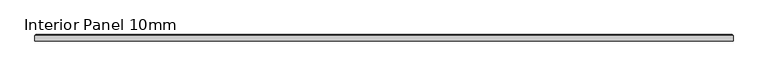
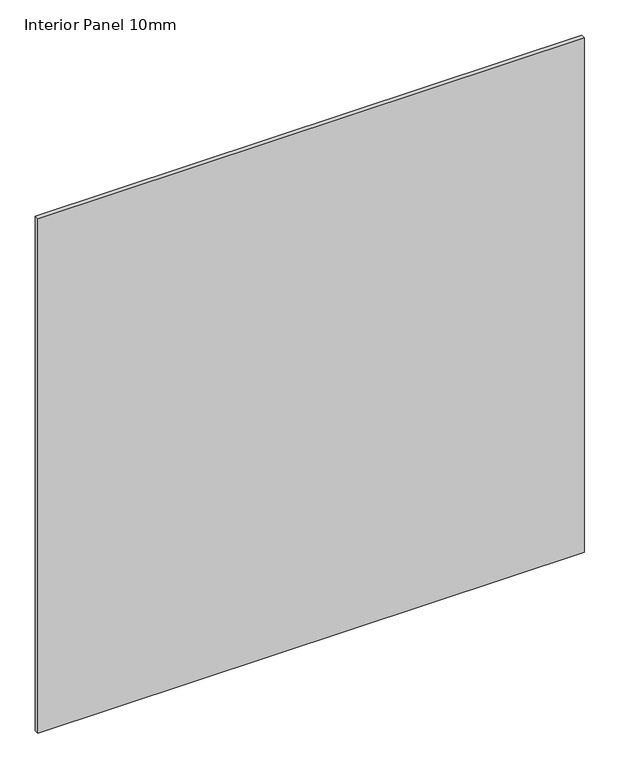
"""IFC4 building model written with IfcOpenShell, lengths in millimetres: proxy geometry, Interior Panel 10mm."""

import ifcopenshell
import ifcopenshell.guid

model = None  # the IFC model being written
_history = None  # IfcOwnerHistory: only IFC2X3 demands one
_inside = {}  # id of a spatial element -> (the spatial element, [elements in it])
_under = {}  # id of a project, library or spatial element -> (it, [spatial elements below it])
_declared = {}  # id of a project -> (the project, [libraries it declares])
_typed = {}  # id of a type object -> (the type object, [elements of that type])
_made_of = {}  # id of a material, layer set ... -> (it, [elements and type objects made of it])


def new_model(schema):
    """Start an empty IFC model of exactly this schema.

    Asked for "IFC4X3", IfcOpenShell would pick the latest addendum, in which some entities
    have other attributes; the version numbers below select the first issue.
    IFC2X3 requires an IfcOwnerHistory on every rooted entity: one is made here for all.
    """
    global model, _history
    if schema == "IFC4X3":
        model = ifcopenshell.file(schema_version=(4, 3, 0, 0))
    else:
        model = ifcopenshell.file(schema=schema)
    _inside.clear()
    _under.clear()
    _declared.clear()
    _typed.clear()
    _made_of.clear()
    _history = None
    if model.schema == "IFC2X3":
        org = make("IfcOrganization", Name="unknown")
        user = make(
            "IfcPersonAndOrganization",
            ThePerson=make("IfcPerson", FamilyName="unknown"),
            TheOrganization=org,
        )
        app = make(
            "IfcApplication",
            ApplicationDeveloper=org,
            Version="unknown",
            ApplicationFullName="unknown",
            ApplicationIdentifier="unknown",
        )
        _history = make(
            "IfcOwnerHistory",
            OwningUser=user,
            OwningApplication=app,
            ChangeAction="ADDED",
            CreationDate=0,
        )
    return model


def make(cls, **values):
    """One entity of the class cls with the attributes given. An attribute that is None is left unset."""
    return model.create_entity(
        cls, **{name: value for name, value in values.items() if value is not None}
    )


def rooted(cls, **values):
    """An entity with a GlobalId (a new one), such as an element, a storey or a relation."""
    return make(cls, GlobalId=ifcopenshell.guid.new(), OwnerHistory=_history, **values)


def si_unit(unit_type, name, prefix=None):
    """IfcSIUnit, for example si_unit("LENGTHUNIT", "METRE", prefix="MILLI")."""
    return make("IfcSIUnit", UnitType=unit_type, Prefix=prefix, Name=name)


def assignment(units):
    """IfcUnitAssignment: the units of a project."""
    return None if units is None else make("IfcUnitAssignment", Units=units)


def point(xyz):
    """IfcCartesianPoint."""
    return None if xyz is None else make("IfcCartesianPoint", Coordinates=xyz)


def direction(xyz):
    """IfcDirection."""
    return None if xyz is None else make("IfcDirection", DirectionRatios=xyz)


def frame(location, z_axis=None, x_axis=None):
    """IfcAxis2Placement3D, a coordinate frame: its origin and axes. An axis left out is left unset."""
    return make(
        "IfcAxis2Placement3D",
        Location=point(location),
        Axis=direction(z_axis),
        RefDirection=direction(x_axis),
    )


def origin():
    """The frame at (0, 0, 0) with its axes left unset."""
    return frame((0.0, 0.0, 0.0))


def place(relative_to, where):
    """IfcLocalPlacement: puts the frame where relative to a parent placement (None: the world)."""
    return make(
        "IfcLocalPlacement", PlacementRelTo=relative_to, RelativePlacement=where
    )


def context(
    kind, dimensions, precision=None, world=None, true_north=None, identifier=None
):
    """IfcGeometricRepresentationContext, for example the 3D "Model" context."""
    return make(
        "IfcGeometricRepresentationContext",
        ContextIdentifier=identifier,
        ContextType=kind,
        CoordinateSpaceDimension=dimensions,
        Precision=precision,
        WorldCoordinateSystem=world,
        TrueNorth=true_north,
    )


def project(units=None, contexts=None):
    """IfcProject with its units and contexts."""
    return rooted(
        "IfcProject",
        Name="project",
        RepresentationContexts=contexts,
        UnitsInContext=assignment(units),
    )


def spatial(cls, under=None, at=None, **own):
    """A site, building, storey or space (cls), placed at a placement, below another one or the project."""
    s = rooted(cls, ObjectPlacement=at, **own)
    if under is not None:
        _under.setdefault(under.id(), (under, []))[1].append(s)
    return s


def faces_of(points, faces, orient=None, outer=None):
    """IfcFace entities. A face is a list of loops; a loop is a list of indices into points, from 0.

    orient and outer hold one flag for each loop. By default every Orientation is true, the
    first loop of a face is its IfcFaceOuterBound and the others are IfcFaceBound.
    """
    made = []
    for i, loops in enumerate(faces):
        bounds = []
        for j, loop in enumerate(loops):
            is_outer = j == 0 if outer is None else outer[i][j]
            bounds.append(
                make(
                    "IfcFaceOuterBound" if is_outer else "IfcFaceBound",
                    Bound=make("IfcPolyLoop", Polygon=[points[k] for k in loop]),
                    Orientation=True if orient is None else orient[i][j],
                )
            )
        made.append(make("IfcFace", Bounds=bounds))
    return made


def faceted_brep(points, faces, orient=None, outer=None, voids=None):
    """IfcFacetedBrep: a solid bounded by flat faces; with voids (closed shells), ...WithVoids."""
    shared = [point(p) for p in points]
    hull = make("IfcClosedShell", CfsFaces=faces_of(shared, faces, orient, outer))
    if voids is None:
        return make("IfcFacetedBrep", Outer=hull)
    return make(
        "IfcFacetedBrepWithVoids",
        Outer=hull,
        Voids=[
            make(cls, CfsFaces=faces_of(shared, fs, o, b)) for cls, fs, o, b in voids
        ],
    )


def shape(context_of_items, identifier, shape_type, items):
    """IfcShapeRepresentation: the items that make up one representation, for example the "Body"."""
    return make(
        "IfcShapeRepresentation",
        ContextOfItems=context_of_items,
        RepresentationIdentifier=identifier,
        RepresentationType=shape_type,
        Items=items,
    )


def source(mapping_origin, context_of_items, identifier, shape_type, items):
    """IfcRepresentationMap: a shape defined once, which mapped items show again and again."""
    return make(
        "IfcRepresentationMap",
        MappingOrigin=mapping_origin,
        MappedRepresentation=shape(context_of_items, identifier, shape_type, items),
    )


def transform(
    local_origin,
    x_axis=None,
    y_axis=None,
    z_axis=None,
    scale=None,
    scale2=None,
    scale3=None,
    uniform=True,
):
    """IfcCartesianTransformationOperator3D, or its non-uniform kind. x_axis, y_axis, z_axis: its Axis1, 2, 3."""
    if uniform:
        return make(
            "IfcCartesianTransformationOperator3D",
            Axis1=direction(x_axis),
            Axis2=direction(y_axis),
            LocalOrigin=point(local_origin),
            Scale=scale,
            Axis3=direction(z_axis),
        )
    return make(
        "IfcCartesianTransformationOperator3DnonUniform",
        Axis1=direction(x_axis),
        Axis2=direction(y_axis),
        LocalOrigin=point(local_origin),
        Scale=scale,
        Axis3=direction(z_axis),
        Scale2=scale2,
        Scale3=scale3,
    )


def mapped(mapping_source, mapping_target):
    """IfcMappedItem: shows the shape of a source again, moved by a transform."""
    return make(
        "IfcMappedItem", MappingSource=mapping_source, MappingTarget=mapping_target
    )


def made_of(thing, what):
    """Note that an element or type object is made of a material, layer set ...; save() writes the relation."""
    if what is not None:
        _made_of.setdefault(what.id(), (what, []))[1].append(thing)
    return thing


def element(
    cls,
    number,
    at=None,
    inside=None,
    cuts=None,
    type_object=None,
    material=None,
    context=None,
    identifier="Body",
    shape_type=None,
    held_by="IfcProductDefinitionShape",
    body=None,
    shapes=None,
    **own,
):
    """One element of the class cls, such as IfcWall. Its Tag is "e" and its number.

    at: its placement. inside: the storey or other place that contains it. cuts: it is an
    opening in that element (IfcRelVoidsElement). A single representation is given by context,
    identifier, shape_type and body (its items); several are given by shapes. held_by: the class
    of the entity that holds the representations. save() writes the other relations.
    """
    e = rooted(cls, Tag="e%d" % number, ObjectPlacement=at, **own)
    if body is not None:
        shapes = [shape(context, identifier, shape_type, body)]
    if shapes is not None:
        e.Representation = make(held_by, Representations=shapes)
    if inside is not None:
        _inside.setdefault(inside.id(), (inside, []))[1].append(e)
    if cuts is not None:
        rooted(
            "IfcRelVoidsElement", RelatingBuildingElement=cuts, RelatedOpeningElement=e
        )
    if type_object is not None:
        _typed.setdefault(type_object.id(), (type_object, []))[1].append(e)
    return made_of(e, material)


def aggregate(whole, parts):
    """IfcRelAggregates: a whole, such as a stair, and the parts it consists of."""
    return rooted("IfcRelAggregates", RelatingObject=whole, RelatedObjects=parts)


def save(model, path):
    """Write the relations noted so far, then the file.

    IfcRelAggregates (storeys below a building ...), IfcRelContainedInSpatialStructure (elements
    in a storey), IfcRelDefinesByType, IfcRelAssociatesMaterial and IfcRelDeclares: one each for
    every whole, place, type object, material and project.
    """
    for whole, parts in _under.values():
        aggregate(whole, parts)
    for where, things in _inside.values():
        rooted(
            "IfcRelContainedInSpatialStructure",
            RelatedElements=things,
            RelatingStructure=where,
        )
    for kind, things in _typed.values():
        rooted("IfcRelDefinesByType", RelatedObjects=things, RelatingType=kind)
    for what, things in _made_of.values():
        rooted("IfcRelAssociatesMaterial", RelatedObjects=things, RelatingMaterial=what)
    for by, libraries in _declared.values():
        rooted("IfcRelDeclares", RelatingContext=by, RelatedDefinitions=libraries)
    model.write(path)


def interior_panel_10mm_7ab59be2(model_context):
    return source(origin(), model_context, "Body", "Brep", [
        faceted_brep([(995.3625, -3.175, 1063.625), (995.3625, 4.7625, 1063.625), (-73.025, 4.7625, 1063.625), (-73.025, -3.175, 1063.625), (995.3625, -3.175, 0.0), (-73.025, -3.175, 0.0), (-73.025, 4.7625, 0.0), (995.3625, 4.7625, 0.0), (-71.4375, 6.35, 1062.0375), (993.775, 6.35, 1062.0375), (993.775, 6.35, 1.5875), (-71.4375, 6.35, 1.5875)], [[[0, 1, 2, 3]], [[4, 5, 6, 7]], [[3, 5, 4, 0]], [[2, 6, 5, 3]], [[8, 9, 10, 11]], [[0, 4, 7, 1]], [[2, 8, 11, 6]], [[7, 10, 9, 1]], [[1, 9, 8, 2]], [[6, 11, 10, 7]]]),
    ])


if __name__ == "__main__":
    model = new_model("IFC4")
    model_context = context("Model", 3, world=origin())
    ifc_project = project(units=[si_unit("LENGTHUNIT", "METRE", prefix="MILLI")], contexts=[model_context])
    site = spatial("IfcSite", under=ifc_project)
    building = spatial("IfcBuilding", under=site)
    placement = place(None, origin())
    interior_panel_10mm_shape = interior_panel_10mm_7ab59be2(model_context)
    element("IfcBuildingElementProxy", 1, Name="Interior Panel 10mm", ObjectType="Interior Panel 10mm", at=placement, inside=building, context=model_context, shape_type="MappedRepresentation", body=[
        mapped(interior_panel_10mm_shape, transform((0.0, 0.0, 0.0), x_axis=(1.0, 0.0, 0.0), y_axis=(0.0, 1.0, 0.0), z_axis=(0.0, 0.0, 1.0))),
    ])
    save(model, "model.ifc")
